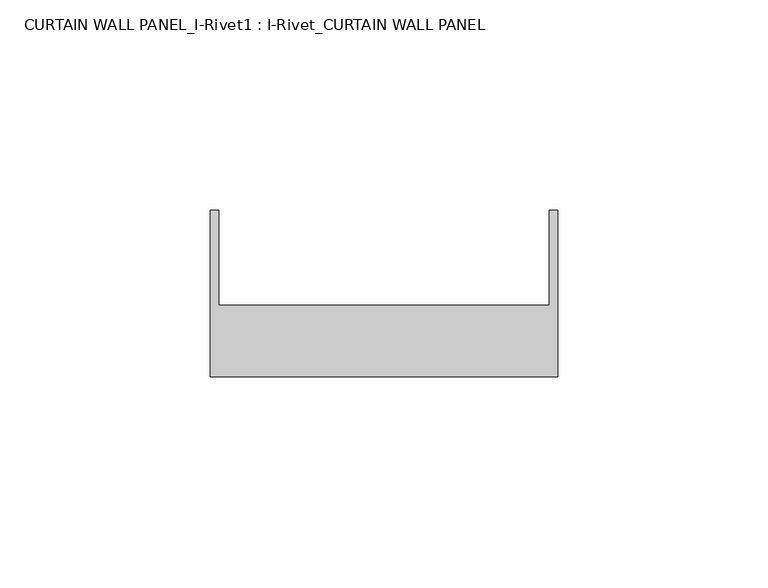
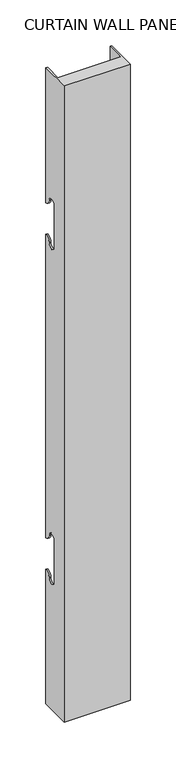
"""IFC4 building model written with IfcOpenShell, lengths in millimetres: plate geometry, CURTAIN WALL PANEL_I-Rivet1 : I-Rivet_CURTAIN WALL PANEL."""

from ifc_helpers import new_model, si_unit, frame, origin, place, context, project, spatial, polyline, circle_curve, source, transform, mapped, element, save
from ifc_brep_helpers import plane_surface, cylinder_surface, revolved_surface, advanced_brep


def curtain_wall_panel_i_rivet1_i_rivet_curtain_wall_panel_15db080d(model_context):
    return source(origin(), model_context, "Body", "AdvancedBrep", [
        advanced_brep(
        [(-41.3600288, -85.0, 845.0), (41.3600288, -85.0, 845.0), (41.3600288, -45.3384103, 845.0), (39.3600288, -45.3384103, 845.0), (39.3600288, -68.0, 845.0), (-39.3600288, -68.0, 845.0), (-39.3600288, -45.3384103, 845.0), (-41.3600288, -45.3384103, 845.0), (-41.3600288, -85.0, 0.0), (-41.3600288, -45.3384103, 0.0), (-39.3600288, -45.3384103, 0.0), (-39.3600288, -68.0, 0.0), (39.3600288, -68.0, 0.0), (39.3600288, -45.3384103, 0.0), (41.3600288, -45.3384103, 0.0), (41.3600288, -85.0, 0.0), (-41.3600288, -45.3384103, 666.0), (-41.3600288, -52.3384103, 673.0), (-41.3600288, -63.3384103, 673.0), (-41.3600288, -63.3384103, 617.0), (-41.3600288, -52.3384103, 617.0), (-41.3600288, -45.3384103, 624.0), (-41.3600288, -45.3384103, 221.0), (-41.3600288, -52.3384103, 228.0), (-41.3600288, -63.3384103, 228.0), (-41.3600288, -63.3384103, 172.0), (-41.3600288, -52.3384103, 172.0), (-41.3600288, -45.3384103, 179.0), (-39.3600288, -45.3384103, 179.0), (-39.3600288, -45.3384103, 624.0), (-39.3600288, -45.3384103, 221.0), (-39.3600288, -45.3384103, 666.0), (41.3600288, -45.3384103, 666.0), (39.3600288, -45.3384103, 666.0), (39.3600288, -45.3384103, 179.0), (41.3600288, -45.3384103, 179.0), (39.3600288, -45.3384103, 221.0), (39.3600288, -45.3384103, 624.0), (41.3600288, -45.3384103, 624.0), (41.3600288, -45.3384103, 221.0), (41.3600288, -52.3384103, 172.0), (41.3600288, -63.3384103, 172.0), (41.3600288, -63.3384103, 228.0), (41.3600288, -52.3384103, 228.0), (41.3600288, -52.3384103, 617.0), (41.3600288, -63.3384103, 617.0), (41.3600288, -63.3384103, 673.0), (41.3600288, -52.3384103, 673.0), (-39.3600288, -52.3384103, 172.0), (-39.3600288, -63.3384103, 172.0), (-39.3600288, -63.3384103, 228.0), (-39.3600288, -52.3384103, 228.0), (-39.3600288, -52.3384103, 617.0), (-39.3600288, -63.3384103, 617.0), (-39.3600288, -63.3384103, 673.0), (-39.3600288, -52.3384103, 673.0), (39.3600288, -52.3384103, 673.0), (39.3600288, -63.3384103, 673.0), (39.3600288, -63.3384103, 617.0), (39.3600288, -52.3384103, 617.0), (39.3600288, -52.3384103, 228.0), (39.3600288, -63.3384103, 228.0), (39.3600288, -63.3384103, 172.0), (39.3600288, -52.3384103, 172.0)],
        [
            (0, 1),
            (1, 2),
            (2, 3),
            (3, 4),
            (4, 5),
            (5, 6),
            (6, 7),
            (7, 0),
            (8, 9),
            (9, 10),
            (10, 11),
            (11, 12),
            (12, 13),
            (13, 14),
            (14, 15),
            (15, 8),
            (7, 16),
            (16, 17, circle_curve(frame((-41.3600288, -45.3384103, 673.0), z_axis=(-1.0, 0.0, 0.0), x_axis=(0.0, -1.0, 0.0)), 7.0)),
            (17, 18, circle_curve(frame((-41.3600288, -57.8384103, 673.0), z_axis=(1.0, 0.0, 0.0), x_axis=(0.0, -1.0, 0.0)), 5.5)),
            (18, 19),
            (19, 20, circle_curve(frame((-41.3600288, -57.8384103, 617.0), z_axis=(1.0, 0.0, 0.0), x_axis=(0.0, -1.0, 0.0)), 5.5)),
            (20, 21, circle_curve(frame((-41.3600288, -45.3384103, 617.0), z_axis=(-1.0, 0.0, 0.0), x_axis=(0.0, -1.0, 0.0)), 7.0)),
            (21, 22),
            (22, 23, circle_curve(frame((-41.3600288, -45.3384103, 228.0), z_axis=(-1.0, 0.0, 0.0), x_axis=(0.0, -1.0, 0.0)), 7.0)),
            (23, 24, circle_curve(frame((-41.3600288, -57.8384103, 228.0), z_axis=(1.0, 0.0, 0.0), x_axis=(0.0, -1.0, 0.0)), 5.5)),
            (24, 25),
            (25, 26, circle_curve(frame((-41.3600288, -57.8384103, 172.0), z_axis=(1.0, 0.0, 0.0), x_axis=(0.0, -1.0, 0.0)), 5.5)),
            (26, 27, circle_curve(frame((-41.3600288, -45.3384103, 172.0), z_axis=(-1.0, 0.0, 0.0), x_axis=(0.0, -1.0, 0.0)), 7.0)),
            (27, 9),
            (8, 0),
            (27, 28),
            (28, 10),
            (21, 29),
            (29, 30),
            (30, 22),
            (6, 31),
            (31, 16),
            (2, 32),
            (32, 33),
            (33, 3),
            (13, 34),
            (34, 35),
            (35, 14),
            (36, 37),
            (37, 38),
            (38, 39),
            (39, 36),
            (1, 15),
            (35, 40, circle_curve(frame((41.3600288, -45.3384103, 172.0), z_axis=(1.0, 0.0, 0.0), x_axis=(0.0, -1.0, 0.0)), 7.0)),
            (40, 41, circle_curve(frame((41.3600288, -57.8384103, 172.0), z_axis=(-1.0, 0.0, 0.0), x_axis=(0.0, -1.0, 0.0)), 5.5)),
            (41, 42),
            (42, 43, circle_curve(frame((41.3600288, -57.8384103, 228.0), z_axis=(-1.0, 0.0, 0.0), x_axis=(0.0, -1.0, 0.0)), 5.5)),
            (43, 39, circle_curve(frame((41.3600288, -45.3384103, 228.0), z_axis=(1.0, 0.0, 0.0), x_axis=(0.0, -1.0, 0.0)), 7.0)),
            (38, 44, circle_curve(frame((41.3600288, -45.3384103, 617.0), z_axis=(1.0, 0.0, 0.0), x_axis=(0.0, -1.0, 0.0)), 7.0)),
            (44, 45, circle_curve(frame((41.3600288, -57.8384103, 617.0), z_axis=(-1.0, 0.0, 0.0), x_axis=(0.0, -1.0, 0.0)), 5.5)),
            (45, 46),
            (46, 47, circle_curve(frame((41.3600288, -57.8384103, 673.0), z_axis=(-1.0, 0.0, 0.0), x_axis=(0.0, -1.0, 0.0)), 5.5)),
            (47, 32, circle_curve(frame((41.3600288, -45.3384103, 673.0), z_axis=(1.0, 0.0, 0.0), x_axis=(0.0, -1.0, 0.0)), 7.0)),
            (5, 11),
            (28, 48, circle_curve(frame((-39.3600288, -45.3384103, 172.0), z_axis=(1.0, 0.0, 0.0), x_axis=(0.0, -1.0, 0.0)), 7.0)),
            (48, 49, circle_curve(frame((-39.3600288, -57.8384103, 172.0), z_axis=(-1.0, 0.0, 0.0), x_axis=(0.0, -1.0, 0.0)), 5.5)),
            (49, 50),
            (50, 51, circle_curve(frame((-39.3600288, -57.8384103, 228.0), z_axis=(-1.0, 0.0, 0.0), x_axis=(0.0, -1.0, 0.0)), 5.5)),
            (51, 30, circle_curve(frame((-39.3600288, -45.3384103, 228.0), z_axis=(1.0, 0.0, 0.0), x_axis=(0.0, -1.0, 0.0)), 7.0)),
            (29, 52, circle_curve(frame((-39.3600288, -45.3384103, 617.0), z_axis=(1.0, 0.0, 0.0), x_axis=(0.0, -1.0, 0.0)), 7.0)),
            (52, 53, circle_curve(frame((-39.3600288, -57.8384103, 617.0), z_axis=(-1.0, 0.0, 0.0), x_axis=(0.0, -1.0, 0.0)), 5.5)),
            (53, 54),
            (54, 55, circle_curve(frame((-39.3600288, -57.8384103, 673.0), z_axis=(-1.0, 0.0, 0.0), x_axis=(0.0, -1.0, 0.0)), 5.5)),
            (55, 31, circle_curve(frame((-39.3600288, -45.3384103, 673.0), z_axis=(1.0, 0.0, 0.0), x_axis=(0.0, -1.0, 0.0)), 7.0)),
            (33, 56, circle_curve(frame((39.3600288, -45.3384103, 673.0), z_axis=(-1.0, 0.0, 0.0), x_axis=(0.0, -1.0, 0.0)), 7.0)),
            (56, 57, circle_curve(frame((39.3600288, -57.8384103, 673.0), z_axis=(1.0, 0.0, 0.0), x_axis=(0.0, -1.0, 0.0)), 5.5)),
            (57, 58),
            (58, 59, circle_curve(frame((39.3600288, -57.8384103, 617.0), z_axis=(1.0, 0.0, 0.0), x_axis=(0.0, -1.0, 0.0)), 5.5)),
            (59, 37, circle_curve(frame((39.3600288, -45.3384103, 617.0), z_axis=(-1.0, 0.0, 0.0), x_axis=(0.0, -1.0, 0.0)), 7.0)),
            (36, 60, circle_curve(frame((39.3600288, -45.3384103, 228.0), z_axis=(-1.0, 0.0, 0.0), x_axis=(0.0, -1.0, 0.0)), 7.0)),
            (60, 61, circle_curve(frame((39.3600288, -57.8384103, 228.0), z_axis=(1.0, 0.0, 0.0), x_axis=(0.0, -1.0, 0.0)), 5.5)),
            (61, 62),
            (62, 63, circle_curve(frame((39.3600288, -57.8384103, 172.0), z_axis=(1.0, 0.0, 0.0), x_axis=(0.0, -1.0, 0.0)), 5.5)),
            (63, 34, circle_curve(frame((39.3600288, -45.3384103, 172.0), z_axis=(-1.0, 0.0, 0.0), x_axis=(0.0, -1.0, 0.0)), 7.0)),
            (12, 4),
            (41, 62),
            (61, 42),
            (49, 25),
            (24, 50),
            (40, 63),
            (48, 26),
            (51, 23),
            (43, 60),
            (18, 54),
            (53, 19),
            (57, 46),
            (45, 58),
            (17, 55),
            (56, 47),
            (59, 44),
            (20, 52),
        ],
        [
            plane_surface(frame((-41.3600288, -45.3384103, 845.0), z_axis=(0.0, 0.0, 1.0), x_axis=(0.0, 1.0, 0.0))),
            plane_surface(frame((-41.3600288, -45.3384103, 0.0), z_axis=(0.0, 0.0, -1.0), x_axis=(0.0, -1.0, 0.0))),
            plane_surface(frame((-41.3600288, -85.0, 845.0), z_axis=(-1.0, 0.0, 0.0), x_axis=(0.0, 0.0, -1.0))),
            plane_surface(frame((-41.3600288, -45.3384103, 845.0), z_axis=(0.0, 1.0, 0.0), x_axis=(0.0, 0.0, -1.0))),
            plane_surface(frame((39.3600288, -45.3384103, 845.0), z_axis=(0.0, 1.0, 0.0), x_axis=(0.0, 0.0, -1.0))),
            plane_surface(frame((41.3600288, -45.3384103, 845.0), z_axis=(1.0, 0.0, 0.0), x_axis=(0.0, 0.0, -1.0))),
            plane_surface(frame((41.3600288, -85.0, 845.0), z_axis=(0.0, -1.0, 0.0), x_axis=(0.0, 0.0, -1.0))),
            plane_surface(frame((-39.3600288, -45.3384103, 845.0), z_axis=(1.0, 0.0, 0.0), x_axis=(0.0, 0.0, -1.0))),
            plane_surface(frame((39.3600288, -68.0, 845.0), z_axis=(-1.0, 0.0, 0.0), x_axis=(0.0, 0.0, -1.0))),
            plane_surface(frame((-40.3600288, -68.0, 845.0), z_axis=(0.0, 1.0, 0.0), x_axis=(0.0, 0.0, -1.0))),
            plane_surface(frame((-41.3600288, -63.3384103, 228.0), z_axis=(0.0, 1.0, 0.0), x_axis=(1.0, 0.0, 0.0))),
            revolved_surface(polyline([(39.3600288, -63.3384103, 172.0), (41.3600288, -63.3384103, 172.0)]), (-41.3600288, -57.8384103, 172.0), (-1.0, 0.0, 0.0)),
            revolved_surface(polyline([(-41.3600288, -63.3384103, 172.0), (-39.3600288, -63.3384103, 172.0)]), (-41.3600288, -57.8384103, 172.0), (-1.0, 0.0, 0.0)),
            cylinder_surface(frame((-41.3600288, -45.3384103, 172.0), z_axis=(1.0, 0.0, 0.0), x_axis=(0.0, -1.0, 0.0)), 7.0),
            cylinder_surface(frame((-41.3600288, -45.3384103, 228.0), z_axis=(1.0, 0.0, 0.0), x_axis=(0.0, -1.0, 0.0)), 7.0),
            revolved_surface(polyline([(-41.3600288, -63.3384103, 228.0), (-39.3600288, -63.3384103, 228.0)]), (-41.3600288, -57.8384103, 228.0), (-1.0, 0.0, 0.0)),
            revolved_surface(polyline([(39.3600288, -63.3384103, 228.0), (41.3600288, -63.3384103, 228.0)]), (-41.3600288, -57.8384103, 228.0), (-1.0, 0.0, 0.0)),
            plane_surface(frame((41.3600288, -63.3384103, 617.0), z_axis=(0.0, 1.0, 0.0), x_axis=(-1.0, 0.0, 0.0))),
            revolved_surface(polyline([(-39.3600288, -63.3384103, 673.0), (-41.3600288, -63.3384103, 673.0)]), (41.3600288, -57.8384103, 673.0), (1.0, 0.0, 0.0)),
            revolved_surface(polyline([(41.3600288, -63.3384103, 673.0), (39.3600288, -63.3384103, 673.0)]), (41.3600288, -57.8384103, 673.0), (1.0, 0.0, 0.0)),
            cylinder_surface(frame((41.3600288, -45.3384103, 673.0), z_axis=(-1.0, 0.0, 0.0), x_axis=(0.0, -1.0, 0.0)), 7.0),
            cylinder_surface(frame((41.3600288, -45.3384103, 617.0), z_axis=(-1.0, 0.0, 0.0), x_axis=(0.0, -1.0, 0.0)), 7.0),
            revolved_surface(polyline([(41.3600288, -63.3384103, 617.0), (39.3600288, -63.3384103, 617.0)]), (41.3600288, -57.8384103, 617.0), (1.0, 0.0, 0.0)),
            revolved_surface(polyline([(-39.3600288, -63.3384103, 617.0), (-41.3600288, -63.3384103, 617.0)]), (41.3600288, -57.8384103, 617.0), (1.0, 0.0, 0.0)),
        ],
        [
            (0, [[1, 2, 3, 4, 5, 6, 7, 8]]),
            (1, [[9, 10, 11, 12, 13, 14, 15, 16]]),
            (2, [[17, 18, 19, 20, 21, 22, 23, 24, 25, 26, 27, 28, 29, -9, 30, -8]]),
            (3, [[-29, 31, 32, -10]]),
            (3, [[-23, 33, 34, 35]]),
            (3, [[36, 37, -17, -7]]),
            (4, [[38, 39, 40, -3]]),
            (4, [[41, 42, 43, -14]]),
            (4, [[44, 45, 46, 47]]),
            (5, [[48, -15, -43, 49, 50, 51, 52, 53, -46, 54, 55, 56, 57, 58, -38, -2]]),
            (6, [[-30, -16, -48, -1]]),
            (7, [[59, -11, -32, 60, 61, 62, 63, 64, -34, 65, 66, 67, 68, 69, -36, -6]]),
            (8, [[-40, 70, 71, 72, 73, 74, -44, 75, 76, 77, 78, 79, -41, -13, 80, -4]]),
            (9, [[-80, -12, -59, -5]]),
            (10, [[-51, 81, -77, 82]]),
            (10, [[-62, 83, -26, 84]]),
            (11, [[-50, 85, -78, -81]]),
            (12, [[-61, 86, -27, -83]]),
            (13, [[-49, -42, -79, -85]]),
            (13, [[-60, -31, -28, -86]]),
            (14, [[-24, -35, -64, 87]]),
            (14, [[-75, -47, -53, 88]]),
            (15, [[-25, -87, -63, -84]]),
            (16, [[-76, -88, -52, -82]]),
            (17, [[-20, 89, -67, 90]]),
            (17, [[-72, 91, -56, 92]]),
            (18, [[-19, 93, -68, -89]]),
            (19, [[-71, 94, -57, -91]]),
            (20, [[-18, -37, -69, -93]]),
            (20, [[-70, -39, -58, -94]]),
            (21, [[-54, -45, -74, 95]]),
            (21, [[-65, -33, -22, 96]]),
            (22, [[-55, -95, -73, -92]]),
            (23, [[-66, -96, -21, -90]]),
        ],
    ),
    ])


if __name__ == "__main__":
    model = new_model("IFC4")
    model_context = context("Model", 3, world=origin())
    ifc_project = project(units=[si_unit("LENGTHUNIT", "METRE", prefix="MILLI")], contexts=[model_context])
    site = spatial("IfcSite", under=ifc_project)
    building = spatial("IfcBuilding", under=site)
    placement = place(None, origin())
    curtain_wall_panel_i_rivet1_i_rivet_curtain_wall_panel_shape = curtain_wall_panel_i_rivet1_i_rivet_curtain_wall_panel_15db080d(model_context)
    element("IfcPlate", 1, ObjectType="CURTAIN WALL PANEL_I-Rivet1 : I-Rivet_CURTAIN WALL PANEL", at=placement, inside=building, context=model_context, shape_type="MappedRepresentation", body=[
        mapped(curtain_wall_panel_i_rivet1_i_rivet_curtain_wall_panel_shape, transform((0.0, 0.0, 0.0), x_axis=(1.0, 0.0, 0.0), y_axis=(0.0, 1.0, 0.0), z_axis=(0.0, 0.0, 1.0))),
    ])
    save(model, "model.ifc")
